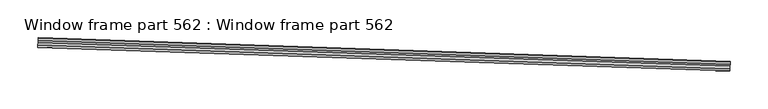
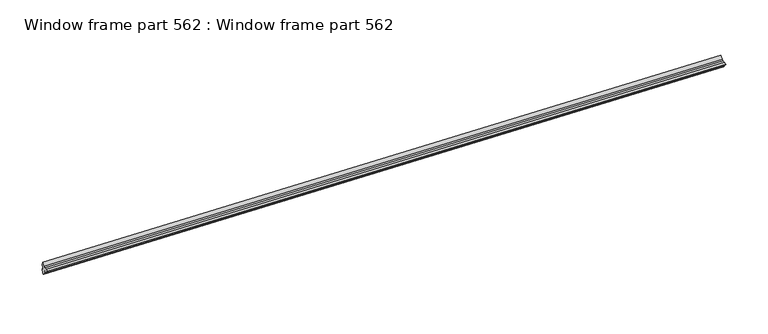
"""IFC4 building model written with IfcOpenShell, lengths in millimetres: proxy geometry, Window frame part 562 : Window frame part 562."""

from ifc_helpers import new_model, si_unit, frame, origin, place, context, project, spatial, polyline, outline, extrude, source, transform, mapped, element, save


def window_frame_part_562_window_frame_part_562_b144e671(model_context):
    return source(origin(), model_context, "Body", "SweptSolid", [
        extrude(outline(polyline([(-1.5529878, -1e-07), (0.0, 0.0), (0.4121877, 2.823693), (0.7577882, 4.0380785), (2.2876721, 5.5675903), (3.7452497, 4.1096582), (2.8984128, 3.6184738), (3.6885324, 2.6237637), (2.691067, 2.579335), (3.1380177, 1.1773615), (4.9950956, 1.0288389), (5.1888879, 3.4519532), (5.7367822, 5.8481694), (6.9702022, 8.6075572), (7.9854232, 8.9360012), (9.2127614, 7.9362882), (9.9051793, 3.0747607), (8.9924253, -0.3254944), (7.6840501, 3.8118398), (8.2090461, -0.6556201), (9.3866751, -3.4090346), (8.4845194, -6.9291652), (5.4530534, -3.1921564), (3.1285927, -2.3657063), (-0.4945911, -1.8296274), (-3.2672448, -0.5770936), (-3.4599366, 0.2284746), (-1.5529878, -1e-07)])), frame((34353.3879044, -15505.1750198, 1203.3610652), z_axis=(-0.9994149479162979, 0.03420178184632418, -1.2563721764335952e-11), x_axis=(0.03409292236402589, 0.9962339500571284, -0.07972195054219149)), (0.0, 0.0, 1.0), 914.4),
    ])


if __name__ == "__main__":
    model = new_model("IFC4")
    model_context = context("Model", 3, world=origin())
    ifc_project = project(units=[si_unit("LENGTHUNIT", "METRE", prefix="MILLI")], contexts=[model_context])
    site = spatial("IfcSite", under=ifc_project)
    building = spatial("IfcBuilding", under=site)
    placement = place(None, origin())
    window_frame_part_562_window_frame_part_562_shape = window_frame_part_562_window_frame_part_562_b144e671(model_context)
    element("IfcBuildingElementProxy", 1, Name="Window frame part 562 : Window frame part 562", ObjectType="Window frame part 562 : Window frame part 562", at=placement, inside=building, context=model_context, shape_type="MappedRepresentation", body=[
        mapped(window_frame_part_562_window_frame_part_562_shape, transform((0.0, 0.0, 0.0), x_axis=(1.0, 0.0, 0.0), y_axis=(0.0, 1.0, 0.0), z_axis=(0.0, 0.0, 1.0))),
    ])
    save(model, "model.ifc")
